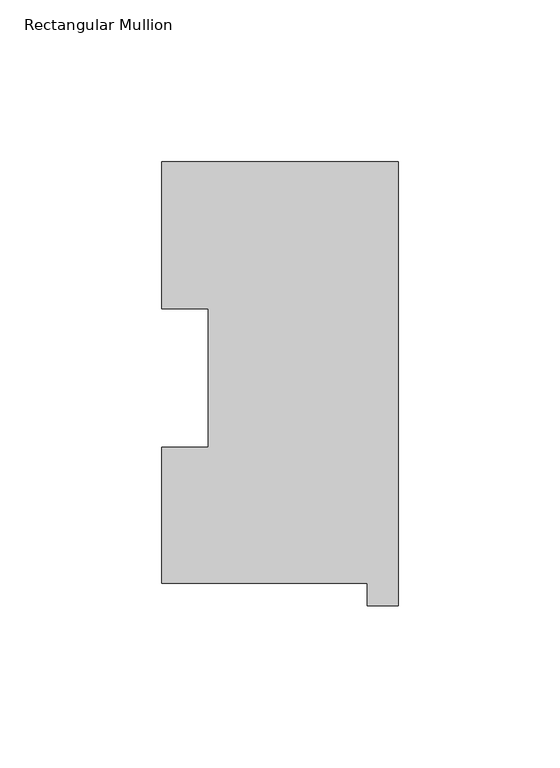
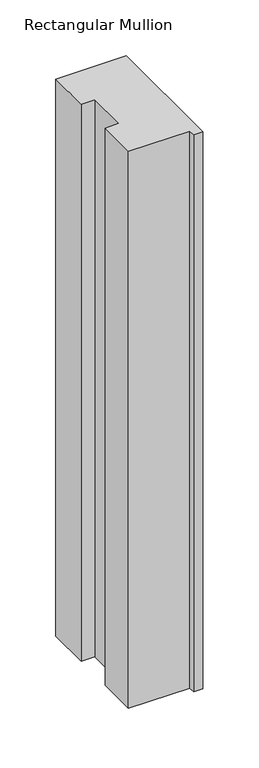
"""IFC4 building model written with IfcOpenShell, lengths in millimetres: member geometry, Rectangular Mullion."""

from ifc_helpers import new_model, si_unit, frame, origin, place, context, project, spatial, polyline, outline, extrude, source, transform, mapped, element, save


def rectangular_mullion_1e13132d(model_context):
    return source(origin(), model_context, "Body", "SweptSolid", [
        extrude(outline(polyline([(-9.525, 0.04445), (-73.025, 0.04445), (-73.025, 42.08145), (-58.7502, 42.08145), (-58.7502, 84.93125), (-73.025, 84.93125), (-73.025, 130.34645), (0.0, 130.34645), (0.0, -6.86435), (-9.525, -6.86435), (-9.525, 0.04445)])), frame((0.0, 0.0, -609.56825), z_axis=(0.0, 0.0, 1.0), x_axis=(1.0, 0.0, 0.0)), (0.0, 0.0, 1.0), 609.56825),
    ])


if __name__ == "__main__":
    model = new_model("IFC4")
    model_context = context("Model", 3, world=origin())
    ifc_project = project(units=[si_unit("LENGTHUNIT", "METRE", prefix="MILLI")], contexts=[model_context])
    site = spatial("IfcSite", under=ifc_project)
    building = spatial("IfcBuilding", under=site)
    placement = place(None, origin())
    rectangular_mullion_shape = rectangular_mullion_1e13132d(model_context)
    element("IfcMember", 1, ObjectType="Rectangular Mullion", at=placement, inside=building, context=model_context, shape_type="MappedRepresentation", body=[
        mapped(rectangular_mullion_shape, transform((0.0, 0.0, 0.0), x_axis=(1.0, 0.0, 0.0), y_axis=(0.0, 1.0, 0.0), z_axis=(0.0, 0.0, 1.0))),
    ])
    save(model, "model.ifc")
